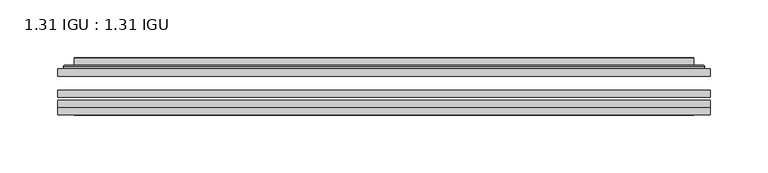
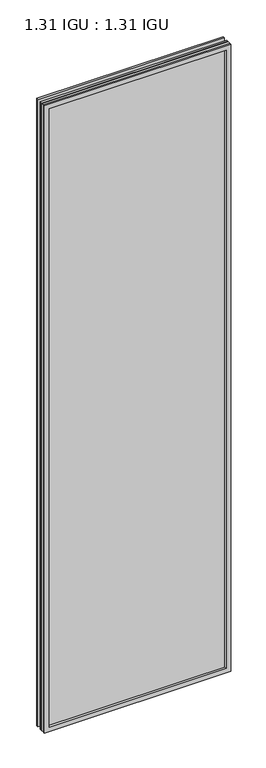
"""IFC4 building model written with IfcOpenShell, lengths in millimetres: plate geometry, 1.31 IGU : 1.31 IGU."""

from ifc_helpers import new_model, si_unit, frame, origin, place, context, project, spatial, polyline, ellipse_curve, outline, extrude, faceted_brep, source, transform, mapped, element, save
from ifc_brep_helpers import plane_surface, cylinder_surface, advanced_brep


def plate_1_31_igu_1_31_igu_f39db7f7(model_context):
    return source(origin(), model_context, "Body", "SolidModel", [
        extrude(outline(polyline([(282.589175, -63.59525), (282.589175, -69.94525), (-282.575, -69.94525), (-282.575, -63.59525), (282.589175, -63.59525)])), frame((0.0, 0.0, -14.2875), z_axis=(0.0, 0.0, 1.0), x_axis=(1.0, 0.0, 0.0)), (0.0, 0.0, 1.0), 2009.8015278),
        extrude(outline(polyline([(-282.575, -78.58125), (-282.575, -72.230745), (282.589175, -72.230745), (282.589175, -78.58125), (-282.575, -78.58125)])), frame((0.0, 0.0, -14.2875), z_axis=(0.0, 0.0, 1.0), x_axis=(1.0, 0.0, 0.0)), (0.0, 0.0, 1.0), 2009.8015278),
        extrude(outline(polyline([(282.589175, -45.25645), (282.589175, -51.60645), (-282.575, -51.60645), (-282.575, -45.25645), (282.589175, -45.25645)])), frame((0.0, 0.0, -14.2875), z_axis=(0.0, 0.0, 1.0), x_axis=(1.0, 0.0, 0.0)), (0.0, 0.0, 1.0), 2009.8015278),
        faceted_brep([(-282.5877, -84.93125, 1995.5229299), (-282.5877, -78.58125, 1995.5229299), (-282.5877, -78.58125, -14.3002), (-282.5877, -84.93125, -14.3002), (282.5877, -78.58125, -14.3002), (282.5877, -84.93125, -14.3002), (282.5877, -78.58125, 1995.5229299), (282.5877, -84.93125, 1995.5229299), (-267.3897559, -78.58125, 0.8977441), (267.3897559, -78.58125, 0.8977441), (267.3897559, -78.58125, 1980.3249858), (-267.3897559, -78.58125, 1980.3249858), (-268.2821902, -84.93125, 1981.2174201), (268.2821902, -84.93125, 1981.2174201), (268.2821902, -84.93125, 0.0053098), (-268.2821902, -84.93125, 0.0053098)], [[[0, 1, 2, 3]], [[3, 2, 4, 5]], [[5, 4, 6, 7]], [[1, 6, 4, 2], [8, 9, 10, 11]], [[7, 6, 1, 0]], [[3, 5, 7, 0], [12, 13, 14, 15]], [[11, 12, 15, 8]], [[8, 15, 14, 9]], [[9, 14, 13, 10]], [[10, 13, 12, 11]]]),
        advanced_brep(
        [(-275.3337191, -45.25645, 1988.2689489), (-277.6879244, -43.2667833, 1990.6231543), (-277.6879244, -43.2667833, -9.4004244), (-275.3337191, -45.25645, -7.046219), (-266.2593939, -41.416413, 1979.1946238), (-261.3245621, -45.25645, 1974.2597919), (-261.3245621, -45.25645, 6.9629379), (-266.2593939, -41.416413, 2.0281061), (-267.2914217, -36.0191819, 1980.2266515), (-267.2914217, -36.0191819, 0.9960783), (-268.2820784, -35.6202069, 1981.2173083), (-268.2820784, -35.6202069, 0.0054216), (-268.2820784, -42.08145, 1981.2173083), (-268.2820784, -42.08145, 0.0054216), (-276.6861349, -42.08145, 1989.6213648), (-276.6861349, -42.08145, -8.3986349), (277.6879244, -43.2667833, -9.4004244), (275.3337191, -45.25645, -7.046219), (261.3245621, -45.25645, 6.9629379), (266.2593939, -41.416413, 2.0281061), (267.2914217, -36.0191819, 0.9960783), (268.2820784, -35.6202069, 0.0054216), (268.2820784, -42.08145, 0.0054216), (276.6861349, -42.08145, -8.3986349), (277.6879244, -43.2667833, 1990.6231543), (275.3337191, -45.25645, 1988.2689489), (261.3245621, -45.25645, 1974.2597919), (266.2593939, -41.416413, 1979.1946238), (267.2914217, -36.0191819, 1980.2266515), (268.2820784, -35.6202069, 1981.2173083), (268.2820784, -42.08145, 1981.2173083), (276.6861349, -42.08145, 1989.6213648)],
        [
            (0, 1, ellipse_curve(frame((-275.3337191, -42.86885, 1988.2689489), z_axis=(-0.7071067811865475, 0.0, -0.7071067811865475), x_axis=(-0.7071067811865474, 0.0, 0.7071067811865476)), 3.3765763, 2.3876)),
            (1, 2),
            (2, 3, ellipse_curve(frame((-275.3337191, -42.86885, -7.046219), z_axis=(-0.7071067811865475, 0.0, 0.7071067811865475), x_axis=(0.7071067811865474, 0.0, 0.7071067811865476)), 3.3765763, 2.3876)),
            (3, 0),
            (4, 5),
            (5, 6),
            (6, 7),
            (7, 4),
            (8, 4),
            (7, 9),
            (9, 8),
            (10, 8, ellipse_curve(frame((-267.9151219, -36.1384423, 1980.8503517), z_axis=(-0.7071067811865475, 0.0, -0.7071067811865475), x_axis=(-0.7071067811865474, 0.0, 0.7071067811865476)), 0.8980256, 0.635)),
            (9, 11, ellipse_curve(frame((-267.9151219, -36.1384423, 0.3723781), z_axis=(-0.7071067811865475, 0.0, 0.7071067811865475), x_axis=(0.7071067811865474, 0.0, 0.7071067811865476)), 0.8980256, 0.635)),
            (11, 10),
            (12, 10),
            (11, 13),
            (13, 12),
            (1, 14, ellipse_curve(frame((-276.6861349, -43.09745, 1989.6213648), z_axis=(-0.7071067811865475, 0.0, -0.7071067811865475), x_axis=(-0.7071067811865474, 0.0, 0.7071067811865476)), 1.436841, 1.016)),
            (14, 15),
            (15, 2, ellipse_curve(frame((-276.6861349, -43.09745, -8.3986349), z_axis=(-0.7071067811865475, 0.0, 0.7071067811865475), x_axis=(0.7071067811865474, 0.0, 0.7071067811865476)), 1.436841, 1.016)),
            (2, 16),
            (16, 17, ellipse_curve(frame((275.3337191, -42.86885, -7.046219), z_axis=(-0.7071067811865475, 0.0, -0.7071067811865475), x_axis=(-0.7071067811865476, 0.0, 0.7071067811865474)), 3.3765763, 2.3876)),
            (17, 3),
            (6, 18),
            (18, 19),
            (19, 7),
            (19, 20),
            (20, 9),
            (20, 21, ellipse_curve(frame((267.9151219, -36.1384423, 0.3723781), z_axis=(-0.7071067811865475, 0.0, -0.7071067811865475), x_axis=(-0.7071067811865476, 0.0, 0.7071067811865474)), 0.8980256, 0.635)),
            (21, 11),
            (21, 22),
            (22, 13),
            (15, 23),
            (23, 16, ellipse_curve(frame((276.6861349, -43.09745, -8.3986349), z_axis=(-0.7071067811865475, 0.0, -0.7071067811865475), x_axis=(-0.7071067811865476, 0.0, 0.7071067811865474)), 1.436841, 1.016)),
            (16, 24),
            (24, 25, ellipse_curve(frame((275.3337191, -42.86885, 1988.2689489), z_axis=(0.7071067811865475, 0.0, -0.7071067811865475), x_axis=(-0.7071067811865474, 0.0, -0.7071067811865476)), 3.3765763, 2.3876)),
            (25, 17),
            (18, 26),
            (26, 27),
            (27, 19),
            (27, 28),
            (28, 20),
            (28, 29, ellipse_curve(frame((267.9151219, -36.1384423, 1980.8503517), z_axis=(0.7071067811865475, 0.0, -0.7071067811865475), x_axis=(-0.7071067811865474, 0.0, -0.7071067811865476)), 0.8980256, 0.635)),
            (29, 21),
            (29, 30),
            (30, 22),
            (23, 31),
            (31, 24, ellipse_curve(frame((276.6861349, -43.09745, 1989.6213648), z_axis=(0.7071067811865475, 0.0, -0.7071067811865475), x_axis=(-0.7071067811865474, 0.0, -0.7071067811865476)), 1.436841, 1.016)),
            (24, 1),
            (0, 25),
            (5, 26),
            (4, 27),
            (8, 28),
            (10, 29),
            (12, 30),
            (14, 31),
        ],
        [
            cylinder_surface(frame((-275.3337191, -42.86885, 2012.9727299), z_axis=(0.0, 0.0, 1.0), x_axis=(-1.0, 0.0, 0.0)), 2.3876),
            plane_surface(frame((-261.3245621, -45.25645, 1974.2597919), z_axis=(0.6141233906514794, 0.7892100234124821, 0.0), x_axis=(0.0, 0.0, -1.0))),
            plane_surface(frame((-266.2593939, -41.416413, 1979.1946238), z_axis=(0.9822050625507729, 0.18781164793386076, 0.0), x_axis=(0.0, 0.0, -1.0))),
            cylinder_surface(frame((-267.9151219, -36.1384423, 2012.9727299), z_axis=(0.0, 0.0, 1.0), x_axis=(-1.0, 0.0, 0.0)), 0.635),
            plane_surface(frame((-268.2820784, -35.6202069, 1981.2173083), z_axis=(-1.0, 0.0, 0.0), x_axis=(0.0, 0.0, -1.0))),
            cylinder_surface(frame((-276.6861349, -43.09745, 2012.9727299), z_axis=(0.0, 0.0, 1.0), x_axis=(-1.0, 0.0, 0.0)), 1.016),
            cylinder_surface(frame((-300.0375, -42.86885, -7.046219), z_axis=(-1.0, 0.0, 0.0), x_axis=(0.0, 0.0, -1.0)), 2.3876),
            plane_surface(frame((-261.3245621, -45.25645, 6.9629379), z_axis=(0.0, 0.7892100234124841, 0.6141233906514768), x_axis=(1.0, 0.0, 0.0))),
            plane_surface(frame((-266.2593939, -41.416413, 2.0281061), z_axis=(0.0, 0.18781164793386393, 0.9822050625507723), x_axis=(1.0, 0.0, 0.0))),
            cylinder_surface(frame((-300.0375, -36.1384423, 0.3723781), z_axis=(-1.0, 0.0, 0.0), x_axis=(0.0, 0.0, -1.0)), 0.635),
            plane_surface(frame((-268.2820784, -35.6202069, 0.0054216), z_axis=(0.0, 0.0, -1.0), x_axis=(1.0, 0.0, 0.0))),
            cylinder_surface(frame((-300.0375, -43.09745, -8.3986349), z_axis=(-1.0, 0.0, 0.0), x_axis=(0.0, 0.0, -1.0)), 1.016),
            cylinder_surface(frame((275.3337191, -42.86885, -31.75), z_axis=(0.0, 0.0, -1.0), x_axis=(1.0, 0.0, 0.0)), 2.3876),
            plane_surface(frame((261.3245621, -45.25645, 6.9629379), z_axis=(-0.6141233906514743, 0.7892100234124861, 0.0), x_axis=(0.0, 0.0, 1.0))),
            plane_surface(frame((266.2593939, -41.416413, 2.0281061), z_axis=(-0.9822050625507718, 0.1878116479338671, 0.0), x_axis=(0.0, 0.0, 1.0))),
            cylinder_surface(frame((267.9151219, -36.1384423, -31.75), z_axis=(0.0, 0.0, -1.0), x_axis=(1.0, 0.0, 0.0)), 0.635),
            plane_surface(frame((268.2820784, -35.6202069, 0.0054216), z_axis=(1.0, 0.0, 0.0), x_axis=(0.0, 0.0, 1.0))),
            cylinder_surface(frame((276.6861349, -43.09745, -31.75), z_axis=(0.0, 0.0, -1.0), x_axis=(1.0, 0.0, 0.0)), 1.016),
            cylinder_surface(frame((300.0375, -42.86885, 1988.2689489), z_axis=(1.0, 0.0, 0.0), x_axis=(0.0, 0.0, 1.0)), 2.3876),
            plane_surface(frame((275.3337191, -45.25645, 1988.2689489), z_axis=(0.0, -1.0, 0.0), x_axis=(-1.0, 0.0, 0.0))),
            plane_surface(frame((261.3245621, -45.25645, 1974.2597919), z_axis=(0.0, 0.7892100234124841, -0.6141233906514768), x_axis=(-1.0, 0.0, 0.0))),
            plane_surface(frame((266.2593939, -41.416413, 1979.1946238), z_axis=(0.0, 0.18781164793386393, -0.9822050625507723), x_axis=(-1.0, 0.0, 0.0))),
            cylinder_surface(frame((300.0375, -36.1384423, 1980.8503517), z_axis=(1.0, 0.0, 0.0), x_axis=(0.0, 0.0, 1.0)), 0.635),
            plane_surface(frame((268.2820784, -35.6202069, 1981.2173083), z_axis=(0.0, 0.0, 1.0), x_axis=(-1.0, 0.0, 0.0))),
            plane_surface(frame((268.2820784, -42.08145, 1981.2173083), z_axis=(0.0, 1.0, 0.0), x_axis=(-1.0, 0.0, 0.0))),
            cylinder_surface(frame((300.0375, -43.09745, 1989.6213648), z_axis=(1.0, 0.0, 0.0), x_axis=(0.0, 0.0, 1.0)), 1.016),
        ],
        [
            (0, [[1, 2, 3, 4]]),
            (1, [[5, 6, 7, 8]]),
            (2, [[9, -8, 10, 11]]),
            (3, [[12, -11, 13, 14]]),
            (4, [[15, -14, 16, 17]]),
            (5, [[18, 19, 20, -2]]),
            (6, [[-3, 21, 22, 23]]),
            (7, [[-7, 24, 25, 26]]),
            (8, [[-10, -26, 27, 28]]),
            (9, [[-13, -28, 29, 30]]),
            (10, [[-16, -30, 31, 32]]),
            (11, [[-20, 33, 34, -21]]),
            (12, [[-22, 35, 36, 37]]),
            (13, [[-25, 38, 39, 40]]),
            (14, [[-27, -40, 41, 42]]),
            (15, [[-29, -42, 43, 44]]),
            (16, [[-31, -44, 45, 46]]),
            (17, [[-34, 47, 48, -35]]),
            (18, [[-36, 49, -1, 50]]),
            (19, [[-23, -37, -50, -4], [51, -38, -24, -6]]),
            (20, [[-39, -51, -5, 52]]),
            (21, [[-41, -52, -9, 53]]),
            (22, [[-43, -53, -12, 54]]),
            (23, [[-45, -54, -15, 55]]),
            (24, [[56, -47, -33, -19], [-32, -46, -55, -17]]),
            (25, [[-48, -56, -18, -49]]),
        ],
    ),
    ])


if __name__ == "__main__":
    model = new_model("IFC4")
    model_context = context("Model", 3, world=origin())
    ifc_project = project(units=[si_unit("LENGTHUNIT", "METRE", prefix="MILLI")], contexts=[model_context])
    site = spatial("IfcSite", under=ifc_project)
    building = spatial("IfcBuilding", under=site)
    placement = place(None, origin())
    plate_1_31_igu_1_31_igu_shape = plate_1_31_igu_1_31_igu_f39db7f7(model_context)
    element("IfcPlate", 1, ObjectType="1.31 IGU : 1.31 IGU", at=placement, inside=building, context=model_context, shape_type="MappedRepresentation", body=[
        mapped(plate_1_31_igu_1_31_igu_shape, transform((0.0, 0.0, 0.0), x_axis=(1.0, 0.0, 0.0), y_axis=(0.0, 1.0, 0.0), z_axis=(0.0, 0.0, 1.0))),
    ])
    save(model, "model.ifc")
